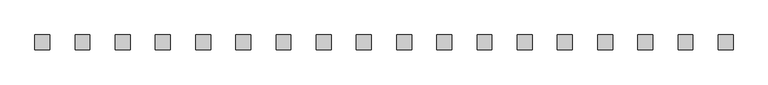
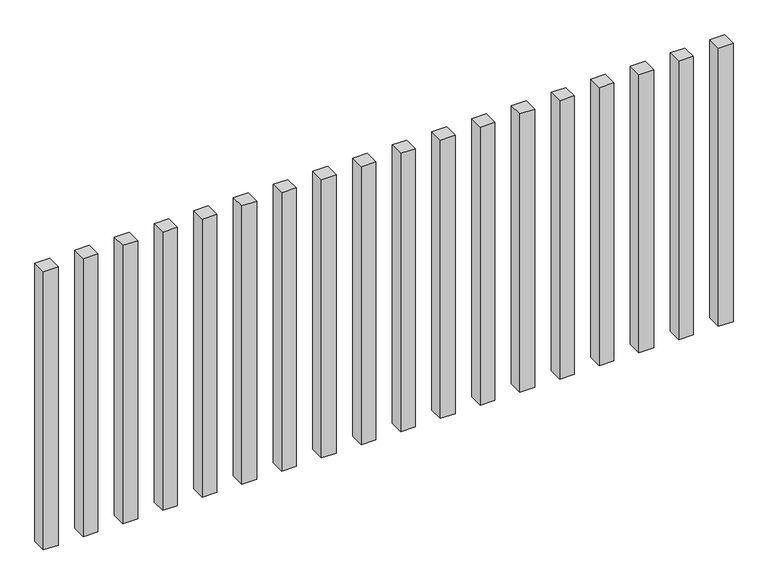
"""IFC4 building model written with IfcOpenShell, lengths in millimetres: railing geometry."""

from ifc_helpers import new_model, si_unit, origin, origin_with_axes, place, context, project, spatial, polyline, outline, extrude, source, transform, mapped, element, save


def railing_3b241478(model_context):
    return source(origin(), model_context, "Body", "SweptSolid", [
        extrude(outline(polyline([(-15507.5700772, -95954.0267127), (-15507.5700772, -95904.0267127), (-15457.5700772, -95904.0267127), (-15457.5700772, -95954.0267127), (-15507.5700772, -95954.0267127)])), origin_with_axes(), (0.0, 0.0, 1.0), 1000.0),
        extrude(outline(polyline([(-15642.5700772, -95954.0267127), (-15642.5700772, -95904.0267127), (-15592.5700772, -95904.0267127), (-15592.5700772, -95954.0267127), (-15642.5700772, -95954.0267127)])), origin_with_axes(), (0.0, 0.0, 1.0), 1000.0),
        extrude(outline(polyline([(-15777.5700772, -95954.0267127), (-15777.5700772, -95904.0267127), (-15727.5700772, -95904.0267127), (-15727.5700772, -95954.0267127), (-15777.5700772, -95954.0267127)])), origin_with_axes(), (0.0, 0.0, 1.0), 1000.0),
        extrude(outline(polyline([(-15912.5700772, -95954.0267127), (-15912.5700772, -95904.0267127), (-15862.5700772, -95904.0267127), (-15862.5700772, -95954.0267127), (-15912.5700772, -95954.0267127)])), origin_with_axes(), (0.0, 0.0, 1.0), 1000.0),
        extrude(outline(polyline([(-16047.5700772, -95954.0267127), (-16047.5700772, -95904.0267127), (-15997.5700772, -95904.0267127), (-15997.5700772, -95954.0267127), (-16047.5700772, -95954.0267127)])), origin_with_axes(), (0.0, 0.0, 1.0), 1000.0),
        extrude(outline(polyline([(-16182.5700772, -95954.0267127), (-16182.5700772, -95904.0267127), (-16132.5700772, -95904.0267127), (-16132.5700772, -95954.0267127), (-16182.5700772, -95954.0267127)])), origin_with_axes(), (0.0, 0.0, 1.0), 1000.0),
        extrude(outline(polyline([(-16317.5700772, -95954.0267127), (-16317.5700772, -95904.0267127), (-16267.5700772, -95904.0267127), (-16267.5700772, -95954.0267127), (-16317.5700772, -95954.0267127)])), origin_with_axes(), (0.0, 0.0, 1.0), 1000.0),
        extrude(outline(polyline([(-16452.5700772, -95954.0267127), (-16452.5700772, -95904.0267127), (-16402.5700772, -95904.0267127), (-16402.5700772, -95954.0267127), (-16452.5700772, -95954.0267127)])), origin_with_axes(), (0.0, 0.0, 1.0), 1000.0),
        extrude(outline(polyline([(-16587.5700772, -95954.0267127), (-16587.5700772, -95904.0267127), (-16537.5700772, -95904.0267127), (-16537.5700772, -95954.0267127), (-16587.5700772, -95954.0267127)])), origin_with_axes(), (0.0, 0.0, 1.0), 1000.0),
        extrude(outline(polyline([(-16722.5700772, -95954.0267127), (-16722.5700772, -95904.0267127), (-16672.5700772, -95904.0267127), (-16672.5700772, -95954.0267127), (-16722.5700772, -95954.0267127)])), origin_with_axes(), (0.0, 0.0, 1.0), 1000.0),
        extrude(outline(polyline([(-16857.5700772, -95954.0267127), (-16857.5700772, -95904.0267127), (-16807.5700772, -95904.0267127), (-16807.5700772, -95954.0267127), (-16857.5700772, -95954.0267127)])), origin_with_axes(), (0.0, 0.0, 1.0), 1000.0),
        extrude(outline(polyline([(-16992.5700772, -95954.0267127), (-16992.5700772, -95904.0267127), (-16942.5700772, -95904.0267127), (-16942.5700772, -95954.0267127), (-16992.5700772, -95954.0267127)])), origin_with_axes(), (0.0, 0.0, 1.0), 1000.0),
        extrude(outline(polyline([(-17127.5700772, -95954.0267127), (-17127.5700772, -95904.0267127), (-17077.5700772, -95904.0267127), (-17077.5700772, -95954.0267127), (-17127.5700772, -95954.0267127)])), origin_with_axes(), (0.0, 0.0, 1.0), 1000.0),
        extrude(outline(polyline([(-17262.5700772, -95954.0267127), (-17262.5700772, -95904.0267127), (-17212.5700772, -95904.0267127), (-17212.5700772, -95954.0267127), (-17262.5700772, -95954.0267127)])), origin_with_axes(), (0.0, 0.0, 1.0), 1000.0),
        extrude(outline(polyline([(-17397.5700772, -95954.0267127), (-17397.5700772, -95904.0267127), (-17347.5700772, -95904.0267127), (-17347.5700772, -95954.0267127), (-17397.5700772, -95954.0267127)])), origin_with_axes(), (0.0, 0.0, 1.0), 1000.0),
        extrude(outline(polyline([(-17532.5700772, -95954.0267127), (-17532.5700772, -95904.0267127), (-17482.5700772, -95904.0267127), (-17482.5700772, -95954.0267127), (-17532.5700772, -95954.0267127)])), origin_with_axes(), (0.0, 0.0, 1.0), 1000.0),
        extrude(outline(polyline([(-17667.5700772, -95954.0267127), (-17667.5700772, -95904.0267127), (-17617.5700772, -95904.0267127), (-17617.5700772, -95954.0267127), (-17667.5700772, -95954.0267127)])), origin_with_axes(), (0.0, 0.0, 1.0), 1000.0),
        extrude(outline(polyline([(-17802.5700772, -95954.0267127), (-17802.5700772, -95904.0267127), (-17752.5700772, -95904.0267127), (-17752.5700772, -95954.0267127), (-17802.5700772, -95954.0267127)])), origin_with_axes(), (0.0, 0.0, 1.0), 1000.0),
    ])


if __name__ == "__main__":
    model = new_model("IFC4")
    model_context = context("Model", 3, world=origin())
    ifc_project = project(units=[si_unit("LENGTHUNIT", "METRE", prefix="MILLI")], contexts=[model_context])
    site = spatial("IfcSite", under=ifc_project)
    building = spatial("IfcBuilding", under=site)
    placement = place(None, origin())
    railing_shape = railing_3b241478(model_context)
    element("IfcRailing", 1, at=placement, inside=building, context=model_context, shape_type="MappedRepresentation", body=[
        mapped(railing_shape, transform((0.0, 0.0, 0.0), x_axis=(1.0, 0.0, 0.0), y_axis=(0.0, 1.0, 0.0), z_axis=(0.0, 0.0, 1.0))),
    ])
    save(model, "model.ifc")
